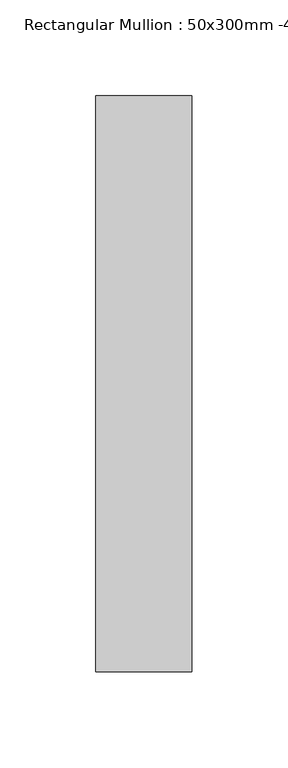
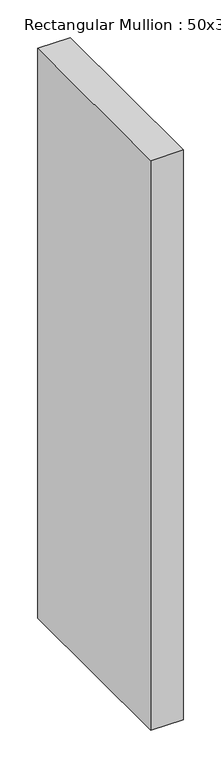
"""IFC4 building model written with IfcOpenShell, lengths in millimetres: member geometry, Rectangular Mullion : 50x300mm -45 2."""

from ifc_helpers import new_model, si_unit, frame, origin, place, context, project, spatial, polyline, outline, extrude, source, transform, mapped, element, save


def rectangular_mullion_50x300mm_45_2_a9541e59(model_context):
    return source(origin(), model_context, "Body", "SweptSolid", [
        extrude(outline(polyline([(0.0, 195.0), (0.0, -105.0), (-50.0, -105.0), (-50.0, 195.0), (0.0, 195.0)])), frame((0.0, 0.0, -924.0411295), z_axis=(0.0, 0.0, 1.0), x_axis=(1.0, 0.0, 0.0)), (0.0, 0.0, 1.0), 924.0411295),
    ])


if __name__ == "__main__":
    model = new_model("IFC4")
    model_context = context("Model", 3, world=origin())
    ifc_project = project(units=[si_unit("LENGTHUNIT", "METRE", prefix="MILLI")], contexts=[model_context])
    site = spatial("IfcSite", under=ifc_project)
    building = spatial("IfcBuilding", under=site)
    placement = place(None, origin())
    rectangular_mullion_50x300mm_45_2_shape = rectangular_mullion_50x300mm_45_2_a9541e59(model_context)
    element("IfcMember", 1, ObjectType="Rectangular Mullion : 50x300mm -45 2", at=placement, inside=building, context=model_context, shape_type="MappedRepresentation", body=[
        mapped(rectangular_mullion_50x300mm_45_2_shape, transform((0.0, 0.0, 0.0), x_axis=(1.0, 0.0, 0.0), y_axis=(0.0, 1.0, 0.0), z_axis=(0.0, 0.0, 1.0))),
    ])
    save(model, "model.ifc")
